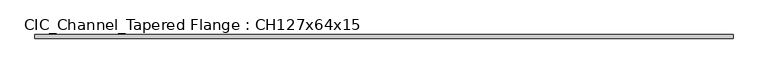
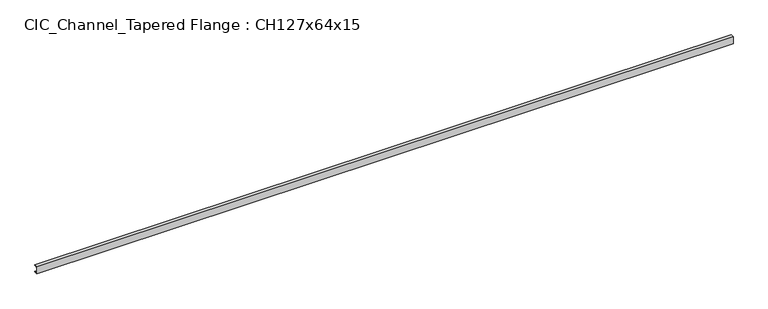
"""IFC4 building model written with IfcOpenShell, lengths in millimetres: beam geometry, CIC_Channel_Tapered Flange : CH127x64x15."""

import ifcopenshell
import ifcopenshell.guid

model = None  # the IFC model being written
_history = None  # IfcOwnerHistory: only IFC2X3 demands one
_inside = {}  # id of a spatial element -> (the spatial element, [elements in it])
_under = {}  # id of a project, library or spatial element -> (it, [spatial elements below it])
_declared = {}  # id of a project -> (the project, [libraries it declares])
_typed = {}  # id of a type object -> (the type object, [elements of that type])
_made_of = {}  # id of a material, layer set ... -> (it, [elements and type objects made of it])


def new_model(schema):
    """Start an empty IFC model of exactly this schema.

    Asked for "IFC4X3", IfcOpenShell would pick the latest addendum, in which some entities
    have other attributes; the version numbers below select the first issue.
    IFC2X3 requires an IfcOwnerHistory on every rooted entity: one is made here for all.
    """
    global model, _history
    if schema == "IFC4X3":
        model = ifcopenshell.file(schema_version=(4, 3, 0, 0))
    else:
        model = ifcopenshell.file(schema=schema)
    _inside.clear()
    _under.clear()
    _declared.clear()
    _typed.clear()
    _made_of.clear()
    _history = None
    if model.schema == "IFC2X3":
        org = make("IfcOrganization", Name="unknown")
        user = make(
            "IfcPersonAndOrganization",
            ThePerson=make("IfcPerson", FamilyName="unknown"),
            TheOrganization=org,
        )
        app = make(
            "IfcApplication",
            ApplicationDeveloper=org,
            Version="unknown",
            ApplicationFullName="unknown",
            ApplicationIdentifier="unknown",
        )
        _history = make(
            "IfcOwnerHistory",
            OwningUser=user,
            OwningApplication=app,
            ChangeAction="ADDED",
            CreationDate=0,
        )
    return model


def make(cls, **values):
    """One entity of the class cls with the attributes given. An attribute that is None is left unset."""
    return model.create_entity(
        cls, **{name: value for name, value in values.items() if value is not None}
    )


def rooted(cls, **values):
    """An entity with a GlobalId (a new one), such as an element, a storey or a relation."""
    return make(cls, GlobalId=ifcopenshell.guid.new(), OwnerHistory=_history, **values)


def si_unit(unit_type, name, prefix=None):
    """IfcSIUnit, for example si_unit("LENGTHUNIT", "METRE", prefix="MILLI")."""
    return make("IfcSIUnit", UnitType=unit_type, Prefix=prefix, Name=name)


def assignment(units):
    """IfcUnitAssignment: the units of a project."""
    return None if units is None else make("IfcUnitAssignment", Units=units)


def point(xyz):
    """IfcCartesianPoint."""
    return None if xyz is None else make("IfcCartesianPoint", Coordinates=xyz)


def direction(xyz):
    """IfcDirection."""
    return None if xyz is None else make("IfcDirection", DirectionRatios=xyz)


def frame(location, z_axis=None, x_axis=None):
    """IfcAxis2Placement3D, a coordinate frame: its origin and axes. An axis left out is left unset."""
    return make(
        "IfcAxis2Placement3D",
        Location=point(location),
        Axis=direction(z_axis),
        RefDirection=direction(x_axis),
    )


def frame_2d(location, x_axis=None):
    """IfcAxis2Placement2D, a coordinate frame in the plane: its origin and x axis."""
    return make(
        "IfcAxis2Placement2D", Location=point(location), RefDirection=direction(x_axis)
    )


def origin():
    """The frame at (0, 0, 0) with its axes left unset."""
    return frame((0.0, 0.0, 0.0))


def place(relative_to, where):
    """IfcLocalPlacement: puts the frame where relative to a parent placement (None: the world)."""
    return make(
        "IfcLocalPlacement", PlacementRelTo=relative_to, RelativePlacement=where
    )


def context(
    kind, dimensions, precision=None, world=None, true_north=None, identifier=None
):
    """IfcGeometricRepresentationContext, for example the 3D "Model" context."""
    return make(
        "IfcGeometricRepresentationContext",
        ContextIdentifier=identifier,
        ContextType=kind,
        CoordinateSpaceDimension=dimensions,
        Precision=precision,
        WorldCoordinateSystem=world,
        TrueNorth=true_north,
    )


def project(units=None, contexts=None):
    """IfcProject with its units and contexts."""
    return rooted(
        "IfcProject",
        Name="project",
        RepresentationContexts=contexts,
        UnitsInContext=assignment(units),
    )


def spatial(cls, under=None, at=None, **own):
    """A site, building, storey or space (cls), placed at a placement, below another one or the project."""
    s = rooted(cls, ObjectPlacement=at, **own)
    if under is not None:
        _under.setdefault(under.id(), (under, []))[1].append(s)
    return s


def polyline(points):
    """IfcPolyline through the points."""
    return make("IfcPolyline", Points=[point(p) for p in points])


def circle_curve(where, radius):
    """IfcCircle in the frame where."""
    return make("IfcCircle", Position=where, Radius=radius)


def trimmed(basis, trim1, trim2, sense, master):
    """IfcTrimmedCurve: the piece of a basis curve between two trims."""
    return make(
        "IfcTrimmedCurve",
        BasisCurve=basis,
        Trim1=trim1,
        Trim2=trim2,
        SenseAgreement=sense,
        MasterRepresentation=master,
    )


def segment(curve, same_sense, transition):
    """IfcCompositeCurveSegment."""
    return make(
        "IfcCompositeCurveSegment",
        Transition=transition,
        SameSense=same_sense,
        ParentCurve=curve,
    )


def composite_curve(segments, self_intersect=None):
    """IfcCompositeCurve: segments joined end to end."""
    return make("IfcCompositeCurve", Segments=segments, SelfIntersect=self_intersect)


def outline(outer, holes=None, kind="AREA"):
    """IfcArbitraryClosedProfileDef: a profile drawn as a closed curve; with holes, ...WithVoids."""
    if holes is None:
        return make("IfcArbitraryClosedProfileDef", ProfileType=kind, OuterCurve=outer)
    return make(
        "IfcArbitraryProfileDefWithVoids",
        ProfileType=kind,
        OuterCurve=outer,
        InnerCurves=holes,
    )


def extrude(swept, where, along, depth):
    """IfcExtrudedAreaSolid: the profile swept, set in the frame where, extruded along a direction by depth."""
    return make(
        "IfcExtrudedAreaSolid",
        SweptArea=swept,
        Position=where,
        ExtrudedDirection=direction(along),
        Depth=depth,
    )


def shape(context_of_items, identifier, shape_type, items):
    """IfcShapeRepresentation: the items that make up one representation, for example the "Body"."""
    return make(
        "IfcShapeRepresentation",
        ContextOfItems=context_of_items,
        RepresentationIdentifier=identifier,
        RepresentationType=shape_type,
        Items=items,
    )


def source(mapping_origin, context_of_items, identifier, shape_type, items):
    """IfcRepresentationMap: a shape defined once, which mapped items show again and again."""
    return make(
        "IfcRepresentationMap",
        MappingOrigin=mapping_origin,
        MappedRepresentation=shape(context_of_items, identifier, shape_type, items),
    )


def transform(
    local_origin,
    x_axis=None,
    y_axis=None,
    z_axis=None,
    scale=None,
    scale2=None,
    scale3=None,
    uniform=True,
):
    """IfcCartesianTransformationOperator3D, or its non-uniform kind. x_axis, y_axis, z_axis: its Axis1, 2, 3."""
    if uniform:
        return make(
            "IfcCartesianTransformationOperator3D",
            Axis1=direction(x_axis),
            Axis2=direction(y_axis),
            LocalOrigin=point(local_origin),
            Scale=scale,
            Axis3=direction(z_axis),
        )
    return make(
        "IfcCartesianTransformationOperator3DnonUniform",
        Axis1=direction(x_axis),
        Axis2=direction(y_axis),
        LocalOrigin=point(local_origin),
        Scale=scale,
        Axis3=direction(z_axis),
        Scale2=scale2,
        Scale3=scale3,
    )


def mapped(mapping_source, mapping_target):
    """IfcMappedItem: shows the shape of a source again, moved by a transform."""
    return make(
        "IfcMappedItem", MappingSource=mapping_source, MappingTarget=mapping_target
    )


def made_of(thing, what):
    """Note that an element or type object is made of a material, layer set ...; save() writes the relation."""
    if what is not None:
        _made_of.setdefault(what.id(), (what, []))[1].append(thing)
    return thing


def element(
    cls,
    number,
    at=None,
    inside=None,
    cuts=None,
    type_object=None,
    material=None,
    context=None,
    identifier="Body",
    shape_type=None,
    held_by="IfcProductDefinitionShape",
    body=None,
    shapes=None,
    **own,
):
    """One element of the class cls, such as IfcWall. Its Tag is "e" and its number.

    at: its placement. inside: the storey or other place that contains it. cuts: it is an
    opening in that element (IfcRelVoidsElement). A single representation is given by context,
    identifier, shape_type and body (its items); several are given by shapes. held_by: the class
    of the entity that holds the representations. save() writes the other relations.
    """
    e = rooted(cls, Tag="e%d" % number, ObjectPlacement=at, **own)
    if body is not None:
        shapes = [shape(context, identifier, shape_type, body)]
    if shapes is not None:
        e.Representation = make(held_by, Representations=shapes)
    if inside is not None:
        _inside.setdefault(inside.id(), (inside, []))[1].append(e)
    if cuts is not None:
        rooted(
            "IfcRelVoidsElement", RelatingBuildingElement=cuts, RelatedOpeningElement=e
        )
    if type_object is not None:
        _typed.setdefault(type_object.id(), (type_object, []))[1].append(e)
    return made_of(e, material)


def aggregate(whole, parts):
    """IfcRelAggregates: a whole, such as a stair, and the parts it consists of."""
    return rooted("IfcRelAggregates", RelatingObject=whole, RelatedObjects=parts)


def save(model, path):
    """Write the relations noted so far, then the file.

    IfcRelAggregates (storeys below a building ...), IfcRelContainedInSpatialStructure (elements
    in a storey), IfcRelDefinesByType, IfcRelAssociatesMaterial and IfcRelDeclares: one each for
    every whole, place, type object, material and project.
    """
    for whole, parts in _under.values():
        aggregate(whole, parts)
    for where, things in _inside.values():
        rooted(
            "IfcRelContainedInSpatialStructure",
            RelatedElements=things,
            RelatingStructure=where,
        )
    for kind, things in _typed.values():
        rooted("IfcRelDefinesByType", RelatedObjects=things, RelatingType=kind)
    for what, things in _made_of.values():
        rooted("IfcRelAssociatesMaterial", RelatedObjects=things, RelatingMaterial=what)
    for by, libraries in _declared.values():
        rooted("IfcRelDeclares", RelatingContext=by, RelatedDefinitions=libraries)
    model.write(path)


def cic_channel_tapered_flange_ch127x64x15_92a07511(model_context):
    return source(origin(), model_context, "Body", "SweptSolid", [
        extrude(outline(composite_curve([segment(polyline([(-19.4, 63.5), (44.1, 63.5)]), True, "CONTINUOUS"), segment(trimmed(circle_curve(frame_2d((34.9, 63.5)), 9.2), [point((44.1, 63.5))], [point((34.9, 54.3))], False, "CARTESIAN"), True, "CONTINUOUS"), segment(polyline([(34.9, 54.3), (-13.0, 46.7133853), (-13.0, -46.7133853), (34.9, -54.3)]), True, "CONTINUOUS"), segment(trimmed(circle_curve(frame_2d((34.9, -63.5)), 9.2), [point((34.9, -54.3))], [point((44.1, -63.5))], False, "CARTESIAN"), True, "CONTINUOUS"), segment(polyline([(44.1, -63.5), (-19.4, -63.5), (-19.4, 63.5)]), True, "CONTINUOUS")], self_intersect=False)), frame((-6172.1, 0.0, 0.0), z_axis=(1.0, 0.0, 0.0), x_axis=(0.0, 1.0, 0.0)), (0.0, 0.0, 1.0), 12344.2563501),
    ])


if __name__ == "__main__":
    model = new_model("IFC4")
    model_context = context("Model", 3, world=origin())
    ifc_project = project(units=[si_unit("LENGTHUNIT", "METRE", prefix="MILLI")], contexts=[model_context])
    site = spatial("IfcSite", under=ifc_project)
    building = spatial("IfcBuilding", under=site)
    placement = place(None, origin())
    cic_channel_tapered_flange_ch127x64x15_shape = cic_channel_tapered_flange_ch127x64x15_92a07511(model_context)
    element("IfcBeam", 1, ObjectType="CIC_Channel_Tapered Flange : CH127x64x15", at=placement, inside=building, context=model_context, shape_type="MappedRepresentation", body=[
        mapped(cic_channel_tapered_flange_ch127x64x15_shape, transform((0.0, 0.0, 0.0), x_axis=(1.0, 0.0, 0.0), y_axis=(0.0, 1.0, 0.0), z_axis=(0.0, 0.0, 1.0))),
    ])
    save(model, "model.ifc")
